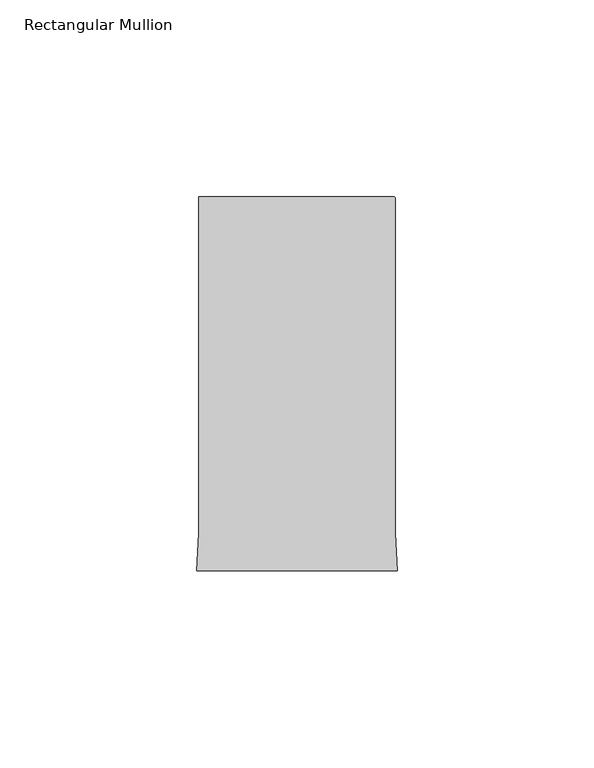
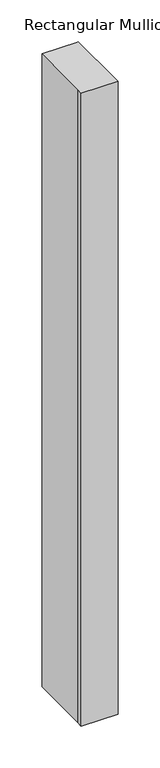
"""IFC4 building model written with IfcOpenShell, lengths in millimetres: member geometry, Rectangular Mullion."""

from ifc_helpers import new_model, si_unit, point, frame, frame_2d, origin, place, context, project, spatial, polyline, circle_curve, trimmed, segment, composite_curve, outline, extrude, source, transform, mapped, element, save


def rectangular_mullion_ad3dd46b(model_context):
    return source(origin(), model_context, "Body", "SweptSolid", [
        extrude(outline(composite_curve([segment(polyline([(-25.0000004, 108.995434), (24.4999996, 108.995434)]), True, "CONTINUOUS"), segment(trimmed(circle_curve(frame_2d((24.4999996, 108.495434)), 0.5), [point((24.4999996, 108.995434))], [point((24.9999996, 108.495434))], False, "CARTESIAN"), True, "CONTINUOUS"), segment(polyline([(24.9999996, 108.495434), (24.9999996, 23.4857005), (25.4480462, 14.0), (-25.448047, 14.0), (-25.0000004, 23.4857005), (-25.0000004, 108.995434)]), True, "CONTINUOUS")], self_intersect=False)), frame((0.0, 0.0, -924.1039072), z_axis=(0.0, 0.0, 1.0), x_axis=(1.0, 0.0, 0.0)), (0.0, 0.0, 1.0), 924.1039072),
    ])


if __name__ == "__main__":
    model = new_model("IFC4")
    model_context = context("Model", 3, world=origin())
    ifc_project = project(units=[si_unit("LENGTHUNIT", "METRE", prefix="MILLI")], contexts=[model_context])
    site = spatial("IfcSite", under=ifc_project)
    building = spatial("IfcBuilding", under=site)
    placement = place(None, origin())
    rectangular_mullion_shape = rectangular_mullion_ad3dd46b(model_context)
    element("IfcMember", 1, ObjectType="Rectangular Mullion", at=placement, inside=building, context=model_context, shape_type="MappedRepresentation", body=[
        mapped(rectangular_mullion_shape, transform((0.0, 0.0, 0.0), x_axis=(1.0, 0.0, 0.0), y_axis=(0.0, 1.0, 0.0), z_axis=(0.0, 0.0, 1.0))),
    ])
    save(model, "model.ifc")
